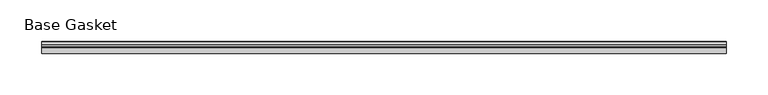
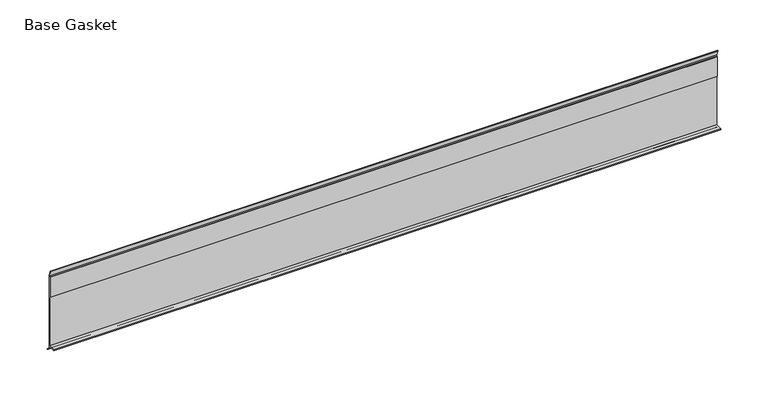
"""IFC4 building model written with IfcOpenShell, lengths in millimetres: furniture geometry, Base Gasket."""

from ifc_helpers import new_model, si_unit, frame, origin, place, context, project, spatial, polyline, outline, extrude, source, transform, mapped, element, save


def base_gasket_4ed9dcc4(model_context):
    return source(origin(), model_context, "Body", "SweptSolid", [
        extrude(outline(polyline([(3.7283812, 98.4568417), (3.7283812, 4.3498477), (7.4222115, 0.6560174), (7.8482342, 0.0), (6.8281054, 0.3520979), (2.2043812, 4.3498477), (2.1334222, 6.3818476), (-6.2405171, 6.3818476), (-6.2405171, 7.9398773), (2.2043812, 7.9398773), (2.2043812, 71.4693447), (1.4106313, 71.4693447), (1.4106313, 96.8693477), (2.2043812, 96.8693477), (2.2043812, 98.4568417), (0.6755308, 104.4162708), (0.6755308, 105.2002997), (1.1891543, 104.587663), (3.7283812, 98.4568417)])), frame((-1527.8982117, 0.0, 0.0), z_axis=(1.0, 0.0, 0.0), x_axis=(0.0, 1.0, 0.0)), (0.0, 0.0, 1.0), 818.3537611),
    ])


if __name__ == "__main__":
    model = new_model("IFC4")
    model_context = context("Model", 3, world=origin())
    ifc_project = project(units=[si_unit("LENGTHUNIT", "METRE", prefix="MILLI")], contexts=[model_context])
    site = spatial("IfcSite", under=ifc_project)
    building = spatial("IfcBuilding", under=site)
    placement = place(None, origin())
    base_gasket_shape = base_gasket_4ed9dcc4(model_context)
    element("IfcFurniture", 1, ObjectType="Base Gasket", at=placement, inside=building, context=model_context, shape_type="MappedRepresentation", body=[
        mapped(base_gasket_shape, transform((0.0, 0.0, 0.0), x_axis=(1.0, 0.0, 0.0), y_axis=(0.0, 1.0, 0.0), z_axis=(0.0, 0.0, 1.0))),
    ])
    save(model, "model.ifc")
